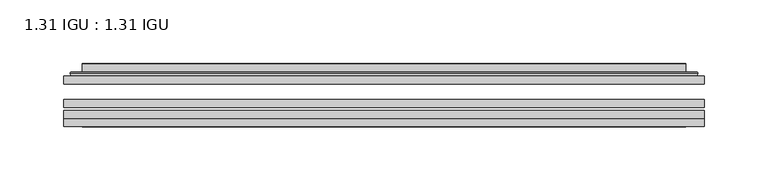
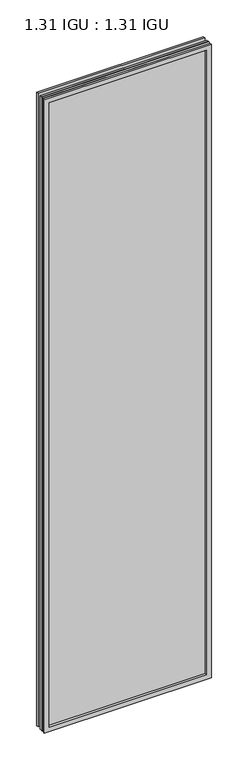
"""IFC4 building model written with IfcOpenShell, lengths in millimetres: plate geometry, 1.31 IGU : 1.31 IGU."""

from ifc_helpers import new_model, si_unit, frame, origin, place, context, project, spatial, polyline, ellipse_curve, outline, extrude, faceted_brep, source, transform, mapped, element, save
from ifc_brep_helpers import plane_surface, cylinder_surface, advanced_brep


def plate_1_31_igu_1_31_igu_af4da15f(model_context):
    return source(origin(), model_context, "Body", "SolidModel", [
        extrude(outline(polyline([(250.839175, -63.59525), (250.839175, -69.94525), (-250.825, -69.94525), (-250.825, -63.59525), (250.839175, -63.59525)])), frame((0.0, 0.0, -14.2875), z_axis=(0.0, 0.0, 1.0), x_axis=(1.0, 0.0, 0.0)), (0.0, 0.0, 1.0), 2009.8015278),
        extrude(outline(polyline([(-250.825, -78.58125), (-250.825, -72.230745), (250.839175, -72.230745), (250.839175, -78.58125), (-250.825, -78.58125)])), frame((0.0, 0.0, -14.2875), z_axis=(0.0, 0.0, 1.0), x_axis=(1.0, 0.0, 0.0)), (0.0, 0.0, 1.0), 2009.8015278),
        extrude(outline(polyline([(250.839175, -45.25645), (250.839175, -51.60645), (-250.825, -51.60645), (-250.825, -45.25645), (250.839175, -45.25645)])), frame((0.0, 0.0, -14.2875), z_axis=(0.0, 0.0, 1.0), x_axis=(1.0, 0.0, 0.0)), (0.0, 0.0, 1.0), 2009.8015278),
        faceted_brep([(-250.8377, -84.93125, 1995.5229299), (-250.8377, -78.58125, 1995.5229299), (-250.8377, -78.58125, -14.3002), (-250.8377, -84.93125, -14.3002), (250.8377, -78.58125, -14.3002), (250.8377, -84.93125, -14.3002), (250.8377, -78.58125, 1995.5229299), (250.8377, -84.93125, 1995.5229299), (-235.6397559, -78.58125, 0.8977441), (235.6397559, -78.58125, 0.8977441), (235.6397559, -78.58125, 1980.3249858), (-235.6397559, -78.58125, 1980.3249858), (-236.5321902, -84.93125, 1981.2174201), (236.5321902, -84.93125, 1981.2174201), (236.5321902, -84.93125, 0.0053098), (-236.5321902, -84.93125, 0.0053098)], [[[0, 1, 2, 3]], [[3, 2, 4, 5]], [[5, 4, 6, 7]], [[1, 6, 4, 2], [8, 9, 10, 11]], [[7, 6, 1, 0]], [[3, 5, 7, 0], [12, 13, 14, 15]], [[11, 12, 15, 8]], [[8, 15, 14, 9]], [[9, 14, 13, 10]], [[10, 13, 12, 11]]]),
        advanced_brep(
        [(-243.5837191, -45.25645, 1988.2689489), (-245.9379244, -43.2667833, 1990.6231543), (-245.9379244, -43.2667833, -9.4004244), (-243.5837191, -45.25645, -7.046219), (-234.5093939, -41.416413, 1979.1946238), (-229.5745621, -45.25645, 1974.2597919), (-229.5745621, -45.25645, 6.9629379), (-234.5093939, -41.416413, 2.0281061), (-235.5414217, -36.0191819, 1980.2266515), (-235.5414217, -36.0191819, 0.9960783), (-236.5320784, -35.6202069, 1981.2173083), (-236.5320784, -35.6202069, 0.0054216), (-236.5320784, -42.08145, 1981.2173083), (-236.5320784, -42.08145, 0.0054216), (-244.9361349, -42.08145, 1989.6213648), (-244.9361349, -42.08145, -8.3986349), (245.9379244, -43.2667833, -9.4004244), (243.5837191, -45.25645, -7.046219), (229.5745621, -45.25645, 6.9629379), (234.5093939, -41.416413, 2.0281061), (235.5414217, -36.0191819, 0.9960783), (236.5320784, -35.6202069, 0.0054216), (236.5320784, -42.08145, 0.0054216), (244.9361349, -42.08145, -8.3986349), (245.9379244, -43.2667833, 1990.6231543), (243.5837191, -45.25645, 1988.2689489), (229.5745621, -45.25645, 1974.2597919), (234.5093939, -41.416413, 1979.1946238), (235.5414217, -36.0191819, 1980.2266515), (236.5320784, -35.6202069, 1981.2173083), (236.5320784, -42.08145, 1981.2173083), (244.9361349, -42.08145, 1989.6213648)],
        [
            (0, 1, ellipse_curve(frame((-243.5837191, -42.86885, 1988.2689489), z_axis=(-0.7071067811865475, 0.0, -0.7071067811865475), x_axis=(-0.7071067811865474, 0.0, 0.7071067811865476)), 3.3765763, 2.3876)),
            (1, 2),
            (2, 3, ellipse_curve(frame((-243.5837191, -42.86885, -7.046219), z_axis=(-0.7071067811865475, 0.0, 0.7071067811865475), x_axis=(0.7071067811865474, 0.0, 0.7071067811865476)), 3.3765763, 2.3876)),
            (3, 0),
            (4, 5),
            (5, 6),
            (6, 7),
            (7, 4),
            (8, 4),
            (7, 9),
            (9, 8),
            (10, 8, ellipse_curve(frame((-236.1651219, -36.1384423, 1980.8503517), z_axis=(-0.7071067811865475, 0.0, -0.7071067811865475), x_axis=(-0.7071067811865474, 0.0, 0.7071067811865476)), 0.8980256, 0.635)),
            (9, 11, ellipse_curve(frame((-236.1651219, -36.1384423, 0.3723781), z_axis=(-0.7071067811865475, 0.0, 0.7071067811865475), x_axis=(0.7071067811865474, 0.0, 0.7071067811865476)), 0.8980256, 0.635)),
            (11, 10),
            (12, 10),
            (11, 13),
            (13, 12),
            (1, 14, ellipse_curve(frame((-244.9361349, -43.09745, 1989.6213648), z_axis=(-0.7071067811865475, 0.0, -0.7071067811865475), x_axis=(-0.7071067811865474, 0.0, 0.7071067811865476)), 1.436841, 1.016)),
            (14, 15),
            (15, 2, ellipse_curve(frame((-244.9361349, -43.09745, -8.3986349), z_axis=(-0.7071067811865475, 0.0, 0.7071067811865475), x_axis=(0.7071067811865474, 0.0, 0.7071067811865476)), 1.436841, 1.016)),
            (2, 16),
            (16, 17, ellipse_curve(frame((243.5837191, -42.86885, -7.046219), z_axis=(-0.7071067811865475, 0.0, -0.7071067811865475), x_axis=(-0.7071067811865476, 0.0, 0.7071067811865474)), 3.3765763, 2.3876)),
            (17, 3),
            (6, 18),
            (18, 19),
            (19, 7),
            (19, 20),
            (20, 9),
            (20, 21, ellipse_curve(frame((236.1651219, -36.1384423, 0.3723781), z_axis=(-0.7071067811865475, 0.0, -0.7071067811865475), x_axis=(-0.7071067811865476, 0.0, 0.7071067811865474)), 0.8980256, 0.635)),
            (21, 11),
            (21, 22),
            (22, 13),
            (15, 23),
            (23, 16, ellipse_curve(frame((244.9361349, -43.09745, -8.3986349), z_axis=(-0.7071067811865475, 0.0, -0.7071067811865475), x_axis=(-0.7071067811865476, 0.0, 0.7071067811865474)), 1.436841, 1.016)),
            (16, 24),
            (24, 25, ellipse_curve(frame((243.5837191, -42.86885, 1988.2689489), z_axis=(0.7071067811865475, 0.0, -0.7071067811865475), x_axis=(-0.7071067811865474, 0.0, -0.7071067811865476)), 3.3765763, 2.3876)),
            (25, 17),
            (18, 26),
            (26, 27),
            (27, 19),
            (27, 28),
            (28, 20),
            (28, 29, ellipse_curve(frame((236.1651219, -36.1384423, 1980.8503517), z_axis=(0.7071067811865475, 0.0, -0.7071067811865475), x_axis=(-0.7071067811865474, 0.0, -0.7071067811865476)), 0.8980256, 0.635)),
            (29, 21),
            (29, 30),
            (30, 22),
            (23, 31),
            (31, 24, ellipse_curve(frame((244.9361349, -43.09745, 1989.6213648), z_axis=(0.7071067811865475, 0.0, -0.7071067811865475), x_axis=(-0.7071067811865474, 0.0, -0.7071067811865476)), 1.436841, 1.016)),
            (24, 1),
            (0, 25),
            (5, 26),
            (4, 27),
            (8, 28),
            (10, 29),
            (12, 30),
            (14, 31),
        ],
        [
            cylinder_surface(frame((-243.5837191, -42.86885, 2012.9727299), z_axis=(0.0, 0.0, 1.0), x_axis=(-1.0, 0.0, 0.0)), 2.3876),
            plane_surface(frame((-229.5745621, -45.25645, 1974.2597919), z_axis=(0.6141233906514794, 0.7892100234124821, 0.0), x_axis=(0.0, 0.0, -1.0))),
            plane_surface(frame((-234.5093939, -41.416413, 1979.1946238), z_axis=(0.9822050625507729, 0.18781164793386076, 0.0), x_axis=(0.0, 0.0, -1.0))),
            cylinder_surface(frame((-236.1651219, -36.1384423, 2012.9727299), z_axis=(0.0, 0.0, 1.0), x_axis=(-1.0, 0.0, 0.0)), 0.635),
            plane_surface(frame((-236.5320784, -35.6202069, 1981.2173083), z_axis=(-1.0, 0.0, 0.0), x_axis=(0.0, 0.0, -1.0))),
            cylinder_surface(frame((-244.9361349, -43.09745, 2012.9727299), z_axis=(0.0, 0.0, 1.0), x_axis=(-1.0, 0.0, 0.0)), 1.016),
            cylinder_surface(frame((-268.2875, -42.86885, -7.046219), z_axis=(-1.0, 0.0, 0.0), x_axis=(0.0, 0.0, -1.0)), 2.3876),
            plane_surface(frame((-229.5745621, -45.25645, 6.9629379), z_axis=(0.0, 0.7892100234124841, 0.6141233906514768), x_axis=(1.0, 0.0, 0.0))),
            plane_surface(frame((-234.5093939, -41.416413, 2.0281061), z_axis=(0.0, 0.18781164793386393, 0.9822050625507723), x_axis=(1.0, 0.0, 0.0))),
            cylinder_surface(frame((-268.2875, -36.1384423, 0.3723781), z_axis=(-1.0, 0.0, 0.0), x_axis=(0.0, 0.0, -1.0)), 0.635),
            plane_surface(frame((-236.5320784, -35.6202069, 0.0054216), z_axis=(0.0, 0.0, -1.0), x_axis=(1.0, 0.0, 0.0))),
            cylinder_surface(frame((-268.2875, -43.09745, -8.3986349), z_axis=(-1.0, 0.0, 0.0), x_axis=(0.0, 0.0, -1.0)), 1.016),
            cylinder_surface(frame((243.5837191, -42.86885, -31.75), z_axis=(0.0, 0.0, -1.0), x_axis=(1.0, 0.0, 0.0)), 2.3876),
            plane_surface(frame((229.5745621, -45.25645, 6.9629379), z_axis=(-0.6141233906514743, 0.7892100234124861, 0.0), x_axis=(0.0, 0.0, 1.0))),
            plane_surface(frame((234.5093939, -41.416413, 2.0281061), z_axis=(-0.9822050625507718, 0.1878116479338671, 0.0), x_axis=(0.0, 0.0, 1.0))),
            cylinder_surface(frame((236.1651219, -36.1384423, -31.75), z_axis=(0.0, 0.0, -1.0), x_axis=(1.0, 0.0, 0.0)), 0.635),
            plane_surface(frame((236.5320784, -35.6202069, 0.0054216), z_axis=(1.0, 0.0, 0.0), x_axis=(0.0, 0.0, 1.0))),
            cylinder_surface(frame((244.9361349, -43.09745, -31.75), z_axis=(0.0, 0.0, -1.0), x_axis=(1.0, 0.0, 0.0)), 1.016),
            cylinder_surface(frame((268.2875, -42.86885, 1988.2689489), z_axis=(1.0, 0.0, 0.0), x_axis=(0.0, 0.0, 1.0)), 2.3876),
            plane_surface(frame((243.5837191, -45.25645, 1988.2689489), z_axis=(0.0, -1.0, 0.0), x_axis=(-1.0, 0.0, 0.0))),
            plane_surface(frame((229.5745621, -45.25645, 1974.2597919), z_axis=(0.0, 0.7892100234124841, -0.6141233906514768), x_axis=(-1.0, 0.0, 0.0))),
            plane_surface(frame((234.5093939, -41.416413, 1979.1946238), z_axis=(0.0, 0.18781164793386393, -0.9822050625507723), x_axis=(-1.0, 0.0, 0.0))),
            cylinder_surface(frame((268.2875, -36.1384423, 1980.8503517), z_axis=(1.0, 0.0, 0.0), x_axis=(0.0, 0.0, 1.0)), 0.635),
            plane_surface(frame((236.5320784, -35.6202069, 1981.2173083), z_axis=(0.0, 0.0, 1.0), x_axis=(-1.0, 0.0, 0.0))),
            plane_surface(frame((236.5320784, -42.08145, 1981.2173083), z_axis=(0.0, 1.0, 0.0), x_axis=(-1.0, 0.0, 0.0))),
            cylinder_surface(frame((268.2875, -43.09745, 1989.6213648), z_axis=(1.0, 0.0, 0.0), x_axis=(0.0, 0.0, 1.0)), 1.016),
        ],
        [
            (0, [[1, 2, 3, 4]]),
            (1, [[5, 6, 7, 8]]),
            (2, [[9, -8, 10, 11]]),
            (3, [[12, -11, 13, 14]]),
            (4, [[15, -14, 16, 17]]),
            (5, [[18, 19, 20, -2]]),
            (6, [[-3, 21, 22, 23]]),
            (7, [[-7, 24, 25, 26]]),
            (8, [[-10, -26, 27, 28]]),
            (9, [[-13, -28, 29, 30]]),
            (10, [[-16, -30, 31, 32]]),
            (11, [[-20, 33, 34, -21]]),
            (12, [[-22, 35, 36, 37]]),
            (13, [[-25, 38, 39, 40]]),
            (14, [[-27, -40, 41, 42]]),
            (15, [[-29, -42, 43, 44]]),
            (16, [[-31, -44, 45, 46]]),
            (17, [[-34, 47, 48, -35]]),
            (18, [[-36, 49, -1, 50]]),
            (19, [[-23, -37, -50, -4], [51, -38, -24, -6]]),
            (20, [[-39, -51, -5, 52]]),
            (21, [[-41, -52, -9, 53]]),
            (22, [[-43, -53, -12, 54]]),
            (23, [[-45, -54, -15, 55]]),
            (24, [[56, -47, -33, -19], [-32, -46, -55, -17]]),
            (25, [[-48, -56, -18, -49]]),
        ],
    ),
    ])


if __name__ == "__main__":
    model = new_model("IFC4")
    model_context = context("Model", 3, world=origin())
    ifc_project = project(units=[si_unit("LENGTHUNIT", "METRE", prefix="MILLI")], contexts=[model_context])
    site = spatial("IfcSite", under=ifc_project)
    building = spatial("IfcBuilding", under=site)
    placement = place(None, origin())
    plate_1_31_igu_1_31_igu_shape = plate_1_31_igu_1_31_igu_af4da15f(model_context)
    element("IfcPlate", 1, ObjectType="1.31 IGU : 1.31 IGU", at=placement, inside=building, context=model_context, shape_type="MappedRepresentation", body=[
        mapped(plate_1_31_igu_1_31_igu_shape, transform((0.0, 0.0, 0.0), x_axis=(1.0, 0.0, 0.0), y_axis=(0.0, 1.0, 0.0), z_axis=(0.0, 0.0, 1.0))),
    ])
    save(model, "model.ifc")
